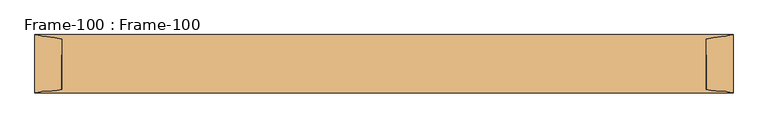
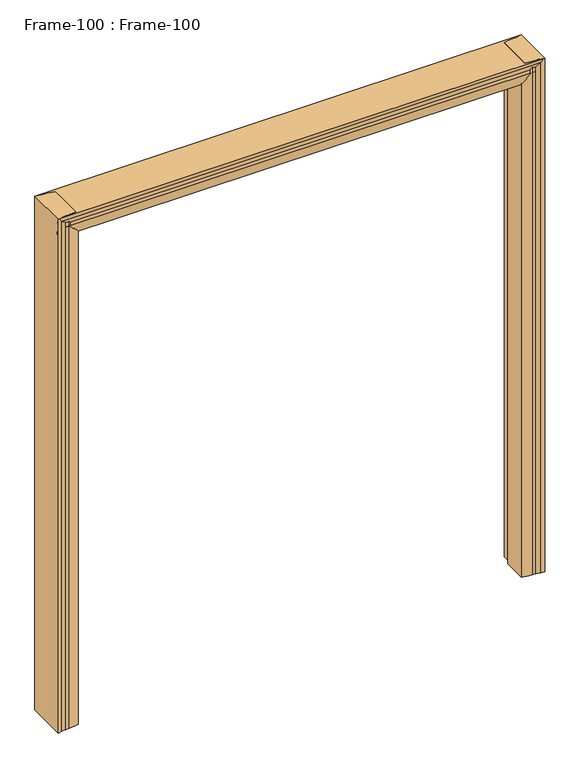
"""IFC4 building model written with IfcOpenShell, lengths in millimetres: door geometry, Frame-100 : Frame-100."""

import ifcopenshell
import ifcopenshell.guid

model = None  # the IFC model being written
_history = None  # IfcOwnerHistory: only IFC2X3 demands one
_inside = {}  # id of a spatial element -> (the spatial element, [elements in it])
_under = {}  # id of a project, library or spatial element -> (it, [spatial elements below it])
_declared = {}  # id of a project -> (the project, [libraries it declares])
_typed = {}  # id of a type object -> (the type object, [elements of that type])
_made_of = {}  # id of a material, layer set ... -> (it, [elements and type objects made of it])


def new_model(schema):
    """Start an empty IFC model of exactly this schema.

    Asked for "IFC4X3", IfcOpenShell would pick the latest addendum, in which some entities
    have other attributes; the version numbers below select the first issue.
    IFC2X3 requires an IfcOwnerHistory on every rooted entity: one is made here for all.
    """
    global model, _history
    if schema == "IFC4X3":
        model = ifcopenshell.file(schema_version=(4, 3, 0, 0))
    else:
        model = ifcopenshell.file(schema=schema)
    _inside.clear()
    _under.clear()
    _declared.clear()
    _typed.clear()
    _made_of.clear()
    _history = None
    if model.schema == "IFC2X3":
        org = make("IfcOrganization", Name="unknown")
        user = make(
            "IfcPersonAndOrganization",
            ThePerson=make("IfcPerson", FamilyName="unknown"),
            TheOrganization=org,
        )
        app = make(
            "IfcApplication",
            ApplicationDeveloper=org,
            Version="unknown",
            ApplicationFullName="unknown",
            ApplicationIdentifier="unknown",
        )
        _history = make(
            "IfcOwnerHistory",
            OwningUser=user,
            OwningApplication=app,
            ChangeAction="ADDED",
            CreationDate=0,
        )
    return model


def make(cls, **values):
    """One entity of the class cls with the attributes given. An attribute that is None is left unset."""
    return model.create_entity(
        cls, **{name: value for name, value in values.items() if value is not None}
    )


def rooted(cls, **values):
    """An entity with a GlobalId (a new one), such as an element, a storey or a relation."""
    return make(cls, GlobalId=ifcopenshell.guid.new(), OwnerHistory=_history, **values)


def si_unit(unit_type, name, prefix=None):
    """IfcSIUnit, for example si_unit("LENGTHUNIT", "METRE", prefix="MILLI")."""
    return make("IfcSIUnit", UnitType=unit_type, Prefix=prefix, Name=name)


def assignment(units):
    """IfcUnitAssignment: the units of a project."""
    return None if units is None else make("IfcUnitAssignment", Units=units)


def point(xyz):
    """IfcCartesianPoint."""
    return None if xyz is None else make("IfcCartesianPoint", Coordinates=xyz)


def direction(xyz):
    """IfcDirection."""
    return None if xyz is None else make("IfcDirection", DirectionRatios=xyz)


def frame(location, z_axis=None, x_axis=None):
    """IfcAxis2Placement3D, a coordinate frame: its origin and axes. An axis left out is left unset."""
    return make(
        "IfcAxis2Placement3D",
        Location=point(location),
        Axis=direction(z_axis),
        RefDirection=direction(x_axis),
    )


def origin():
    """The frame at (0, 0, 0) with its axes left unset."""
    return frame((0.0, 0.0, 0.0))


def place(relative_to, where):
    """IfcLocalPlacement: puts the frame where relative to a parent placement (None: the world)."""
    return make(
        "IfcLocalPlacement", PlacementRelTo=relative_to, RelativePlacement=where
    )


def context(
    kind, dimensions, precision=None, world=None, true_north=None, identifier=None
):
    """IfcGeometricRepresentationContext, for example the 3D "Model" context."""
    return make(
        "IfcGeometricRepresentationContext",
        ContextIdentifier=identifier,
        ContextType=kind,
        CoordinateSpaceDimension=dimensions,
        Precision=precision,
        WorldCoordinateSystem=world,
        TrueNorth=true_north,
    )


def project(units=None, contexts=None):
    """IfcProject with its units and contexts."""
    return rooted(
        "IfcProject",
        Name="project",
        RepresentationContexts=contexts,
        UnitsInContext=assignment(units),
    )


def spatial(cls, under=None, at=None, **own):
    """A site, building, storey or space (cls), placed at a placement, below another one or the project."""
    s = rooted(cls, ObjectPlacement=at, **own)
    if under is not None:
        _under.setdefault(under.id(), (under, []))[1].append(s)
    return s


def polyline(points):
    """IfcPolyline through the points."""
    return make("IfcPolyline", Points=[point(p) for p in points])


def circle_curve(where, radius):
    """IfcCircle in the frame where."""
    return make("IfcCircle", Position=where, Radius=radius)


def ellipse_curve(where, semi_axis1, semi_axis2):
    """IfcEllipse in the frame where."""
    return make(
        "IfcEllipse", Position=where, SemiAxis1=semi_axis1, SemiAxis2=semi_axis2
    )


def shape(context_of_items, identifier, shape_type, items):
    """IfcShapeRepresentation: the items that make up one representation, for example the "Body"."""
    return make(
        "IfcShapeRepresentation",
        ContextOfItems=context_of_items,
        RepresentationIdentifier=identifier,
        RepresentationType=shape_type,
        Items=items,
    )


def source(mapping_origin, context_of_items, identifier, shape_type, items):
    """IfcRepresentationMap: a shape defined once, which mapped items show again and again."""
    return make(
        "IfcRepresentationMap",
        MappingOrigin=mapping_origin,
        MappedRepresentation=shape(context_of_items, identifier, shape_type, items),
    )


def transform(
    local_origin,
    x_axis=None,
    y_axis=None,
    z_axis=None,
    scale=None,
    scale2=None,
    scale3=None,
    uniform=True,
):
    """IfcCartesianTransformationOperator3D, or its non-uniform kind. x_axis, y_axis, z_axis: its Axis1, 2, 3."""
    if uniform:
        return make(
            "IfcCartesianTransformationOperator3D",
            Axis1=direction(x_axis),
            Axis2=direction(y_axis),
            LocalOrigin=point(local_origin),
            Scale=scale,
            Axis3=direction(z_axis),
        )
    return make(
        "IfcCartesianTransformationOperator3DnonUniform",
        Axis1=direction(x_axis),
        Axis2=direction(y_axis),
        LocalOrigin=point(local_origin),
        Scale=scale,
        Axis3=direction(z_axis),
        Scale2=scale2,
        Scale3=scale3,
    )


def mapped(mapping_source, mapping_target):
    """IfcMappedItem: shows the shape of a source again, moved by a transform."""
    return make(
        "IfcMappedItem", MappingSource=mapping_source, MappingTarget=mapping_target
    )


def made_of(thing, what):
    """Note that an element or type object is made of a material, layer set ...; save() writes the relation."""
    if what is not None:
        _made_of.setdefault(what.id(), (what, []))[1].append(thing)
    return thing


def element(
    cls,
    number,
    at=None,
    inside=None,
    cuts=None,
    type_object=None,
    material=None,
    context=None,
    identifier="Body",
    shape_type=None,
    held_by="IfcProductDefinitionShape",
    body=None,
    shapes=None,
    **own,
):
    """One element of the class cls, such as IfcWall. Its Tag is "e" and its number.

    at: its placement. inside: the storey or other place that contains it. cuts: it is an
    opening in that element (IfcRelVoidsElement). A single representation is given by context,
    identifier, shape_type and body (its items); several are given by shapes. held_by: the class
    of the entity that holds the representations. save() writes the other relations.
    """
    e = rooted(cls, Tag="e%d" % number, ObjectPlacement=at, **own)
    if body is not None:
        shapes = [shape(context, identifier, shape_type, body)]
    if shapes is not None:
        e.Representation = make(held_by, Representations=shapes)
    if inside is not None:
        _inside.setdefault(inside.id(), (inside, []))[1].append(e)
    if cuts is not None:
        rooted(
            "IfcRelVoidsElement", RelatingBuildingElement=cuts, RelatedOpeningElement=e
        )
    if type_object is not None:
        _typed.setdefault(type_object.id(), (type_object, []))[1].append(e)
    return made_of(e, material)


def aggregate(whole, parts):
    """IfcRelAggregates: a whole, such as a stair, and the parts it consists of."""
    return rooted("IfcRelAggregates", RelatingObject=whole, RelatedObjects=parts)


def save(model, path):
    """Write the relations noted so far, then the file.

    IfcRelAggregates (storeys below a building ...), IfcRelContainedInSpatialStructure (elements
    in a storey), IfcRelDefinesByType, IfcRelAssociatesMaterial and IfcRelDeclares: one each for
    every whole, place, type object, material and project.
    """
    for whole, parts in _under.values():
        aggregate(whole, parts)
    for where, things in _inside.values():
        rooted(
            "IfcRelContainedInSpatialStructure",
            RelatedElements=things,
            RelatingStructure=where,
        )
    for kind, things in _typed.values():
        rooted("IfcRelDefinesByType", RelatedObjects=things, RelatingType=kind)
    for what, things in _made_of.values():
        rooted("IfcRelAssociatesMaterial", RelatedObjects=things, RelatingMaterial=what)
    for by, libraries in _declared.values():
        rooted("IfcRelDeclares", RelatingContext=by, RelatedDefinitions=libraries)
    model.write(path)


def plane_surface(at):
    """IfcPlane: the flat surface through the origin of the frame at, square to its z axis."""
    return make("IfcPlane", Position=at)


def cylinder_surface(at, radius):
    """IfcCylindricalSurface: all points at the distance radius from the z axis of the frame at."""
    return make("IfcCylindricalSurface", Position=at, Radius=radius)


def revolved_surface(curve, axis_point, axis_direction):
    """IfcSurfaceOfRevolution: the curve turned about the line through axis_point along axis_direction."""
    return make(
        "IfcSurfaceOfRevolution",
        SweptCurve=make("IfcArbitraryOpenProfileDef", ProfileType="CURVE", Curve=curve),
        AxisPosition=make("IfcAxis1Placement", Location=point(axis_point), Axis=direction(axis_direction)),
    )


def advanced_brep(points, edges, surfaces, faces):
    """IfcAdvancedBrep: a solid bounded by faces that lie on surfaces and meet in shared edges.

    An edge is (start, end): straight between two places in points (the first is 0);
    or (start, end, curve); or (start, end, curve, False) where it runs against its curve.
    A face is (place in surfaces, loops), or (place, loops, False) where it looks against
    its surface's normal. A loop lists edges by number (the first is 1), with a minus sign
    where the edge is run from its end to its start. The first loop is the outer one.
    """
    corners = [point(p) for p in points]
    vertices = [make("IfcVertexPoint", VertexGeometry=c) for c in corners]
    made = []
    for start, end, *more in edges:
        made.append(
            make(
                "IfcEdgeCurve",
                EdgeStart=vertices[start],
                EdgeEnd=vertices[end],
                EdgeGeometry=more[0] if more else make("IfcPolyline", Points=[corners[start], corners[end]]),
                SameSense=more[1] if len(more) > 1 else True,
            )
        )
    hull = []
    for where, loops, *sense in faces:
        bounds = []
        for j, loop in enumerate(loops):
            ring = [make("IfcOrientedEdge", EdgeElement=made[abs(k) - 1], Orientation=k > 0) for k in loop]
            bounds.append(
                make(
                    "IfcFaceOuterBound" if j == 0 else "IfcFaceBound",
                    Bound=make("IfcEdgeLoop", EdgeList=ring),
                    Orientation=True,
                )
            )
        hull.append(make("IfcAdvancedFace", Bounds=bounds, FaceSurface=surfaces[where], SameSense=sense[0] if sense else True))
    return make("IfcAdvancedBrep", Outer=make("IfcClosedShell", CfsFaces=hull))


def frame_100_frame_100_0b87e9ed(model_context):
    return source(origin(), model_context, "Body", "AdvancedBrep", [
        advanced_brep(
        [(-990.6, -82.55, 0.0), (-990.6, 82.55, 0.0), (-975.1106804, 80.0334981, 0.0), (-957.6091669, 76.956654, 0.0), (-914.4, 69.85, 0.0), (-914.4, 25.4, 0.0), (-901.7, 25.4, 0.0), (-901.7, -69.85, 0.0), (-942.4430108, -76.956654, 0.0), (-957.6091669, -76.956654, 0.0), (-975.1106804, -80.0334981, 0.0), (-990.6, -82.55, 2209.8), (-990.6, 82.55, 2209.8), (-975.1106804, 80.0334981, 2209.8), (-957.6091669, 76.956654, 2209.8), (-914.4, 69.85, 2209.8), (-914.4, 25.4, 2209.8), (-901.7, 25.4, 2197.1), (-901.7, -69.85, 2197.1), (-914.4, -73.6437313, 2209.8), (-942.4430108, -76.956654, 2209.8), (-957.6091669, -76.956654, 2209.8), (-975.1106804, -80.0334981, 2209.8)],
        [
            (0, 1),
            (1, 2, circle_curve(frame((-989.5670501, 39.9805064, 0.0), z_axis=(0.0, 0.0, -1.0), x_axis=(-1.0, 0.0, 0.0)), 42.582024)),
            (2, 3, circle_curve(frame((-957.5225129, 128.7634863, 0.0), z_axis=(0.0, 0.0, 1.0), x_axis=(-1.0, 0.0, 0.0)), 51.8069047)),
            (3, 4, circle_curve(frame((-957.8371432, -59.3408202, 0.0), z_axis=(0.0, 0.0, -1.0), x_axis=(-1.0, 0.0, 0.0)), 136.2976648)),
            (4, 5),
            (5, 6),
            (6, 7),
            (7, 8, circle_curve(frame((-942.4430108, 43.3881292, 0.0), z_axis=(0.0, 0.0, -1.0), x_axis=(-1.0, 0.0, 0.0)), 120.3447831)),
            (8, 9),
            (9, 10, circle_curve(frame((-957.5225129, -128.7634863, 0.0), z_axis=(0.0, 0.0, 1.0), x_axis=(-1.0, 0.0, 0.0)), 51.8069048)),
            (10, 0, circle_curve(frame((-989.5670501, -39.9805064, 0.0), z_axis=(0.0, 0.0, -1.0), x_axis=(-1.0, 0.0, 0.0)), 42.582024)),
            (0, 11),
            (11, 12),
            (12, 1),
            (12, 13, circle_curve(frame((-989.5670501, 39.9805064, 2209.8), z_axis=(0.0, 0.0, -1.0), x_axis=(-1.0, 0.0, 0.0)), 42.582024)),
            (13, 2),
            (13, 14, circle_curve(frame((-957.5225129, 128.7634863, 2209.8), z_axis=(0.0, 0.0, 1.0), x_axis=(-1.0, 0.0, 0.0)), 51.8069047)),
            (14, 3),
            (14, 15, circle_curve(frame((-957.8371432, -59.3408202, 2209.8), z_axis=(0.0, 0.0, -1.0), x_axis=(-1.0, 0.0, 0.0)), 136.2976648)),
            (15, 4),
            (15, 16),
            (16, 5),
            (16, 17),
            (17, 6),
            (17, 18),
            (18, 7),
            (18, 19, ellipse_curve(frame((-942.4430108, 43.3881292, 2237.8430108), z_axis=(-0.7071067811865476, 0.0, -0.7071067811865476), x_axis=(0.7071067811865476, 0.0, -0.7071067811865475)), 170.1932244, 120.3447831)),
            (19, 20, circle_curve(frame((-942.4430108, 43.3881292, 2209.8), z_axis=(0.0, 0.0, -1.0), x_axis=(-1.0, 0.0, 0.0)), 120.3447831)),
            (20, 8),
            (20, 21),
            (21, 9),
            (21, 22, circle_curve(frame((-957.5225129, -128.7634863, 2209.8), z_axis=(0.0, 0.0, 1.0), x_axis=(-1.0, 0.0, 0.0)), 51.8069048)),
            (22, 10),
            (22, 11, circle_curve(frame((-989.5670501, -39.9805064, 2209.8), z_axis=(0.0, 0.0, -1.0), x_axis=(-1.0, 0.0, 0.0)), 42.582024)),
            (16, 19),
        ],
        [
            plane_surface(frame((-990.6, 69.85, 0.0), z_axis=(0.0, 0.0, -1.0), x_axis=(0.0, -1.0, 0.0))),
            plane_surface(frame((-990.6, -82.55, 0.0), z_axis=(-1.0, 0.0, 0.0), x_axis=(0.0, 0.0, 1.0))),
            cylinder_surface(frame((-989.5670501, 39.9805064, 0.0), z_axis=(0.0, 0.0, -1.0), x_axis=(-1.0, 0.0, 0.0)), 42.582024),
            revolved_surface(polyline([(-1009.3294176, 128.7634863, 2209.8), (-1009.3294176, 128.7634863, 0.0)]), (-957.5225129, 128.7634863, 0.0), (0.0, 0.0, 1.0)),
            cylinder_surface(frame((-957.8371432, -59.3408202, 0.0), z_axis=(0.0, 0.0, -1.0), x_axis=(-1.0, 0.0, 0.0)), 136.2976648),
            plane_surface(frame((-914.4, 69.85, 0.0), z_axis=(1.0, 0.0, 0.0), x_axis=(0.0, 0.0, 1.0))),
            plane_surface(frame((-914.4, 25.4, 0.0), z_axis=(0.0, 1.0, 0.0), x_axis=(0.0, 0.0, 1.0))),
            plane_surface(frame((-901.7, 25.4, 0.0), z_axis=(1.0, 0.0, 0.0), x_axis=(0.0, 0.0, 1.0))),
            cylinder_surface(frame((-942.4430108, 43.3881292, 0.0), z_axis=(0.0, 0.0, -1.0), x_axis=(-1.0, 0.0, 0.0)), 120.3447831),
            plane_surface(frame((-942.4430108, -76.956654, 0.0), z_axis=(0.0, -1.0, 0.0), x_axis=(0.0, 0.0, 1.0))),
            revolved_surface(polyline([(-1009.3294177, -128.7634863, 2209.8), (-1009.3294177, -128.7634863, 0.0)]), (-957.5225129, -128.7634863, 0.0), (0.0, 0.0, 1.0)),
            cylinder_surface(frame((-989.5670501, -39.9805064, 0.0), z_axis=(0.0, 0.0, -1.0), x_axis=(-1.0, 0.0, 0.0)), 42.582024),
            plane_surface(frame((-914.4, -107.95, 2209.8), z_axis=(0.7071067811865476, 0.0, 0.7071067811865476), x_axis=(0.0, 1.0, 0.0))),
            plane_surface(frame((-990.6, 69.85, 2209.8), z_axis=(0.0, 0.0, 1.0), x_axis=(0.0, -1.0, 0.0))),
        ],
        [
            (0, [[1, 2, 3, 4, 5, 6, 7, 8, 9, 10, 11]]),
            (1, [[-1, 12, 13, 14]]),
            (2, [[-2, -14, 15, 16]]),
            (3, [[-3, -16, 17, 18]]),
            (4, [[-4, -18, 19, 20]]),
            (5, [[-5, -20, 21, 22]]),
            (6, [[-6, -22, 23, 24]]),
            (7, [[-7, -24, 25, 26]]),
            (8, [[-8, -26, 27, 28, 29]]),
            (9, [[-9, -29, 30, 31]]),
            (10, [[-10, -31, 32, 33]]),
            (11, [[-11, -33, 34, -12]]),
            (12, [[-27, -25, -23, 35]]),
            (13, [[-34, -32, -30, -28, -35, -21, -19, -17, -15, -13]]),
        ],
    ),
        advanced_brep(
        [(990.6, -82.55, 0.0), (975.1106804, -80.0334981, 0.0), (957.6091669, -76.956654, 0.0), (942.4430108, -76.956654, 0.0), (901.7, -69.85, 0.0), (901.7, 25.4, 0.0), (914.4, 25.4, 0.0), (914.4, 69.85, 0.0), (957.6091669, 76.956654, 0.0), (975.1106804, 80.0334981, 0.0), (990.6, 82.55, 0.0), (990.6, -82.55, 2209.8), (975.1106804, -80.0334981, 2209.8), (957.6091669, -76.956654, 2209.8), (942.4430108, -76.956654, 2209.8), (914.4, -73.6437313, 2209.8), (901.7, -69.85, 2197.1), (901.7, 25.4, 2197.1), (914.4, 25.4, 2209.8), (914.4, 69.85, 2209.8), (957.6091669, 76.956654, 2209.8), (975.1106804, 80.0334981, 2209.8), (990.6, 82.55, 2209.8)],
        [
            (0, 1, circle_curve(frame((989.5670501, -39.9805064, 0.0), z_axis=(0.0, 0.0, -1.0), x_axis=(-1.0, 0.0, 0.0)), 42.582024)),
            (1, 2, circle_curve(frame((957.5225129, -128.7634863, 0.0), z_axis=(0.0, 0.0, 1.0), x_axis=(-1.0, 0.0, 0.0)), 51.8069048)),
            (2, 3),
            (3, 4, circle_curve(frame((942.4430108, 43.3881292, 0.0), z_axis=(0.0, 0.0, -1.0), x_axis=(-1.0, 0.0, 0.0)), 120.3447831)),
            (4, 5),
            (5, 6),
            (6, 7),
            (7, 8, circle_curve(frame((957.8371432, -59.3408202, 0.0), z_axis=(0.0, 0.0, -1.0), x_axis=(-1.0, 0.0, 0.0)), 136.2976648)),
            (8, 9, circle_curve(frame((957.5225129, 128.7634863, 0.0), z_axis=(0.0, 0.0, 1.0), x_axis=(-1.0, 0.0, 0.0)), 51.8069048)),
            (9, 10, circle_curve(frame((989.5670501, 39.9805064, 0.0), z_axis=(0.0, 0.0, -1.0), x_axis=(-1.0, 0.0, 0.0)), 42.582024)),
            (10, 0),
            (0, 11),
            (11, 12, circle_curve(frame((989.5670501, -39.9805064, 2209.8), z_axis=(0.0, 0.0, -1.0), x_axis=(-1.0, 0.0, 0.0)), 42.582024)),
            (12, 1),
            (12, 13, circle_curve(frame((957.5225129, -128.7634863, 2209.8), z_axis=(0.0, 0.0, 1.0), x_axis=(-1.0, 0.0, 0.0)), 51.8069048)),
            (13, 2),
            (13, 14),
            (14, 3),
            (14, 15, circle_curve(frame((942.4430108, 43.3881292, 2209.8), z_axis=(0.0, 0.0, -1.0), x_axis=(-1.0, 0.0, 0.0)), 120.3447831)),
            (15, 16, ellipse_curve(frame((942.4430108, 43.3881292, 2237.8430108), z_axis=(0.7071067811865464, 0.0, -0.7071067811865488), x_axis=(-0.7071067811865488, 0.0, -0.7071067811865461)), 170.1932244, 120.3447831)),
            (16, 4),
            (16, 17),
            (17, 5),
            (17, 18),
            (18, 6),
            (18, 19),
            (19, 7),
            (19, 20, circle_curve(frame((957.8371432, -59.3408202, 2209.8), z_axis=(0.0, 0.0, -1.0), x_axis=(-1.0, 0.0, 0.0)), 136.2976648)),
            (20, 8),
            (20, 21, circle_curve(frame((957.5225129, 128.7634863, 2209.8), z_axis=(0.0, 0.0, 1.0), x_axis=(-1.0, 0.0, 0.0)), 51.8069048)),
            (21, 9),
            (21, 22, circle_curve(frame((989.5670501, 39.9805064, 2209.8), z_axis=(0.0, 0.0, -1.0), x_axis=(-1.0, 0.0, 0.0)), 42.582024)),
            (22, 10),
            (22, 11),
            (15, 18),
        ],
        [
            plane_surface(frame((990.6, 69.85, 0.0), z_axis=(0.0, 0.0, -1.0), x_axis=(0.0, -1.0, 0.0))),
            cylinder_surface(frame((989.5670501, -39.9805064, 0.0), z_axis=(0.0, 0.0, -1.0), x_axis=(-1.0, 0.0, 0.0)), 42.582024),
            revolved_surface(polyline([(905.7156081, -128.7634863, 2209.8), (905.7156081, -128.7634863, 0.0)]), (957.5225129, -128.7634863, 0.0), (0.0, 0.0, 1.0)),
            plane_surface(frame((957.6091669, -76.956654, 0.0), z_axis=(0.0, -1.0, 0.0), x_axis=(0.0, 0.0, 1.0))),
            cylinder_surface(frame((942.4430108, 43.3881292, 0.0), z_axis=(0.0, 0.0, -1.0), x_axis=(-1.0, 0.0, 0.0)), 120.3447831),
            plane_surface(frame((901.7, -69.85, 0.0), z_axis=(-1.0, 0.0, 0.0), x_axis=(0.0, 0.0, 1.0))),
            plane_surface(frame((901.7, 25.4, 0.0), z_axis=(0.0, 1.0, 0.0), x_axis=(0.0, 0.0, 1.0))),
            plane_surface(frame((914.4, 25.4, 0.0), z_axis=(-1.0, 0.0, 0.0), x_axis=(0.0, 0.0, 1.0))),
            cylinder_surface(frame((957.8371432, -59.3408202, 0.0), z_axis=(0.0, 0.0, -1.0), x_axis=(-1.0, 0.0, 0.0)), 136.2976648),
            revolved_surface(polyline([(905.7156081, 128.7634863, 2209.8), (905.7156081, 128.7634863, 0.0)]), (957.5225129, 128.7634863, 0.0), (0.0, 0.0, 1.0)),
            cylinder_surface(frame((989.5670501, 39.9805064, 0.0), z_axis=(0.0, 0.0, -1.0), x_axis=(-1.0, 0.0, 0.0)), 42.582024),
            plane_surface(frame((990.6, 82.55, 0.0), z_axis=(1.0, 0.0, 0.0), x_axis=(0.0, 0.0, 1.0))),
            plane_surface(frame((876.3, -107.95, 2171.7), z_axis=(-0.7071067811865464, 0.0, 0.7071067811865488), x_axis=(0.0, 1.0, 0.0))),
            plane_surface(frame((990.6, 69.85, 2209.8), z_axis=(0.0, 0.0, 1.0), x_axis=(0.0, -1.0, 0.0))),
        ],
        [
            (0, [[1, 2, 3, 4, 5, 6, 7, 8, 9, 10, 11]]),
            (1, [[-1, 12, 13, 14]]),
            (2, [[-2, -14, 15, 16]]),
            (3, [[-3, -16, 17, 18]]),
            (4, [[-4, -18, 19, 20, 21]]),
            (5, [[-5, -21, 22, 23]]),
            (6, [[-6, -23, 24, 25]]),
            (7, [[-7, -25, 26, 27]]),
            (8, [[-8, -27, 28, 29]]),
            (9, [[-9, -29, 30, 31]]),
            (10, [[-10, -31, 32, 33]]),
            (11, [[-11, -33, 34, -12]]),
            (12, [[-20, 35, -24, -22]]),
            (13, [[-13, -34, -32, -30, -28, -26, -35, -19, -17, -15]]),
        ],
    ),
        advanced_brep(
        [(-990.6, -82.55, 2209.8), (-990.6, -80.0334981, 2194.3106804), (990.6, -80.0334981, 2194.3106804), (990.6, -82.55, 2209.8), (-990.6, -76.956654, 2176.8091669), (990.6, -76.956654, 2176.8091669), (-990.6, -76.956654, 2161.6430108), (990.6, -76.956654, 2161.6430108), (-990.6, -73.6437313, 2133.6), (-977.9, -69.85, 2120.9), (952.5, -69.85, 2120.9), (990.6, -73.6437313, 2133.6), (952.5, 25.4, 2120.9), (-977.9, 25.4, 2120.9), (-990.6, 25.4, 2133.6), (990.6, 25.4, 2133.6), (-990.6, 69.85, 2133.6), (990.6, 69.85, 2133.6), (-990.6, 76.956654, 2176.8091669), (990.6, 76.956654, 2176.8091669), (-990.6, 80.0334981, 2194.3106804), (990.6, 80.0334981, 2194.3106804), (-990.6, 82.55, 2209.8), (990.6, 82.55, 2209.8)],
        [
            (0, 1, circle_curve(frame((-990.6, -39.9805064, 2208.7670501), z_axis=(1.0, 0.0, 0.0), x_axis=(0.0, 0.0, 1.0)), 42.582024)),
            (1, 2),
            (2, 3, circle_curve(frame((990.6, -39.9805064, 2208.7670501), z_axis=(-1.0, 0.0, 0.0), x_axis=(0.0, 0.0, 1.0)), 42.582024)),
            (3, 0),
            (1, 4, circle_curve(frame((-990.6, -128.7634863, 2176.7225129), z_axis=(-1.0, 0.0, 0.0), x_axis=(0.0, 0.0, 1.0)), 51.8069048)),
            (4, 5),
            (5, 2, circle_curve(frame((990.6, -128.7634863, 2176.7225129), z_axis=(1.0, 0.0, 0.0), x_axis=(0.0, 0.0, 1.0)), 51.8069048)),
            (4, 6),
            (6, 7),
            (7, 5),
            (6, 8, circle_curve(frame((-990.6, 43.3881292, 2161.6430108), z_axis=(1.0, 0.0, 0.0), x_axis=(0.0, 0.0, 1.0)), 120.3447831)),
            (8, 9, ellipse_curve(frame((-1018.6430108, 43.3881292, 2161.6430108), z_axis=(0.7071067811865513, 0.0, 0.7071067811865438), x_axis=(-0.7071067811865436, 0.0, 0.7071067811865513)), 170.1932244, 120.3447831)),
            (9, 10),
            (10, 11, ellipse_curve(frame((1074.7290324, 43.3881292, 2161.6430108), z_axis=(-0.31622776601684466, 0.0, 0.9486832980505115), x_axis=(-0.9486832980505117, 0.0, -0.31622776601684477)), 380.5636192, 120.3447831)),
            (11, 7, circle_curve(frame((990.6, 43.3881292, 2161.6430108), z_axis=(-1.0, 0.0, 0.0), x_axis=(0.0, 0.0, 1.0)), 120.3447831)),
            (12, 10),
            (9, 13),
            (13, 12),
            (14, 15),
            (15, 12),
            (13, 14),
            (14, 16),
            (16, 17),
            (17, 15),
            (16, 18, circle_curve(frame((-990.6, -59.3408202, 2177.0371432), z_axis=(1.0, 0.0, 0.0), x_axis=(0.0, 0.0, 1.0)), 136.2976648)),
            (18, 19),
            (19, 17, circle_curve(frame((990.6, -59.3408202, 2177.0371432), z_axis=(-1.0, 0.0, 0.0), x_axis=(0.0, 0.0, 1.0)), 136.2976648)),
            (18, 20, circle_curve(frame((-990.6, 128.7634863, 2176.7225129), z_axis=(-1.0, 0.0, 0.0), x_axis=(0.0, 0.0, 1.0)), 51.8069048)),
            (20, 21),
            (21, 19, circle_curve(frame((990.6, 128.7634863, 2176.7225129), z_axis=(1.0, 0.0, 0.0), x_axis=(0.0, 0.0, 1.0)), 51.8069048)),
            (20, 22, circle_curve(frame((-990.6, 39.9805064, 2208.7670501), z_axis=(1.0, 0.0, 0.0), x_axis=(0.0, 0.0, 1.0)), 42.582024)),
            (22, 23),
            (23, 21, circle_curve(frame((990.6, 39.9805064, 2208.7670501), z_axis=(-1.0, 0.0, 0.0), x_axis=(0.0, 0.0, 1.0)), 42.582024)),
            (22, 0),
            (3, 23),
            (15, 11),
            (8, 14),
        ],
        [
            cylinder_surface(frame((-990.6, -39.9805064, 2208.7670501), z_axis=(-1.0, 0.0, 0.0), x_axis=(0.0, 0.0, 1.0)), 42.582024),
            revolved_surface(polyline([(990.6, -128.7634863, 2228.5294177), (-990.6, -128.7634863, 2228.5294177)]), (-990.6, -128.7634863, 2176.7225129), (1.0, 0.0, 0.0)),
            plane_surface(frame((-990.6, -76.956654, 2161.6430108), z_axis=(0.0, -1.0, 0.0), x_axis=(1.0, 0.0, 0.0))),
            cylinder_surface(frame((-990.6, 43.3881292, 2161.6430108), z_axis=(-1.0, 0.0, 0.0), x_axis=(0.0, 0.0, 1.0)), 120.3447831),
            plane_surface(frame((-990.6, 25.4, 2120.9), z_axis=(0.0, 0.0, -1.0), x_axis=(1.0, 0.0, 0.0))),
            plane_surface(frame((-990.6, 25.4, 2133.6), z_axis=(0.0, 1.0, 0.0), x_axis=(1.0, 0.0, 0.0))),
            plane_surface(frame((-990.6, 69.85, 2133.6), z_axis=(0.0, 0.0, -1.0), x_axis=(1.0, 0.0, 0.0))),
            cylinder_surface(frame((-990.6, -59.3408202, 2177.0371432), z_axis=(-1.0, 0.0, 0.0), x_axis=(0.0, 0.0, 1.0)), 136.2976648),
            revolved_surface(polyline([(990.6, 128.7634863, 2228.5294177), (-990.6, 128.7634863, 2228.5294177)]), (-990.6, 128.7634863, 2176.7225129), (1.0, 0.0, 0.0)),
            cylinder_surface(frame((-990.6, 39.9805064, 2208.7670501), z_axis=(-1.0, 0.0, 0.0), x_axis=(0.0, 0.0, 1.0)), 42.582024),
            plane_surface(frame((-990.6, -82.55, 2209.8), z_axis=(0.0, 0.0, 1.0), x_axis=(1.0, 0.0, 0.0))),
            plane_surface(frame((990.6, -107.95, 2133.6), z_axis=(0.31622776601684466, 0.0, -0.9486832980505115), x_axis=(0.0, 1.0, 0.0))),
            plane_surface(frame((-952.5, -107.95, 2095.5), z_axis=(-0.7071067811865513, 0.0, -0.7071067811865438), x_axis=(0.0, 1.0, 0.0))),
            plane_surface(frame((-990.6, 69.85, 2209.8), z_axis=(-1.0, 0.0, 0.0), x_axis=(0.0, -1.0, 0.0))),
            plane_surface(frame((990.6, 69.85, 2209.8), z_axis=(1.0, 0.0, 0.0), x_axis=(0.0, -1.0, 0.0))),
        ],
        [
            (0, [[1, 2, 3, 4]]),
            (1, [[5, 6, 7, -2]]),
            (2, [[8, 9, 10, -6]]),
            (3, [[-9, 11, 12, 13, 14, 15]]),
            (4, [[16, -13, 17, 18]]),
            (5, [[19, 20, -18, 21]]),
            (6, [[22, 23, 24, -19]]),
            (7, [[25, 26, 27, -23]]),
            (8, [[28, 29, 30, -26]]),
            (9, [[31, 32, 33, -29]]),
            (10, [[34, -4, 35, -32]]),
            (11, [[-14, -16, -20, 36]]),
            (12, [[37, -21, -17, -12]]),
            (13, [[-34, -31, -28, -25, -22, -37, -11, -8, -5, -1]]),
            (14, [[-3, -7, -10, -15, -36, -24, -27, -30, -33, -35]]),
        ],
    ),
    ])


if __name__ == "__main__":
    model = new_model("IFC4")
    model_context = context("Model", 3, world=origin())
    ifc_project = project(units=[si_unit("LENGTHUNIT", "METRE", prefix="MILLI")], contexts=[model_context])
    site = spatial("IfcSite", under=ifc_project)
    building = spatial("IfcBuilding", under=site)
    placement = place(None, origin())
    frame_100_frame_100_shape = frame_100_frame_100_0b87e9ed(model_context)
    element("IfcDoor", 1, ObjectType="Frame-100 : Frame-100", at=placement, inside=building, context=model_context, shape_type="MappedRepresentation", body=[
        mapped(frame_100_frame_100_shape, transform((0.0, 0.0, 0.0), x_axis=(1.0, 0.0, 0.0), y_axis=(0.0, 1.0, 0.0), z_axis=(0.0, 0.0, 1.0))),
    ])
    save(model, "model.ifc")
